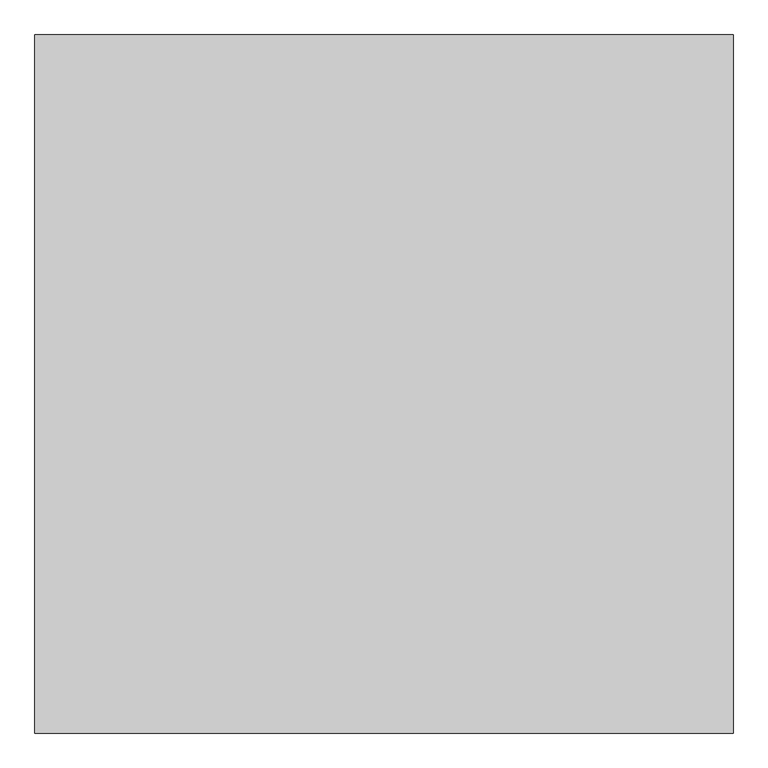
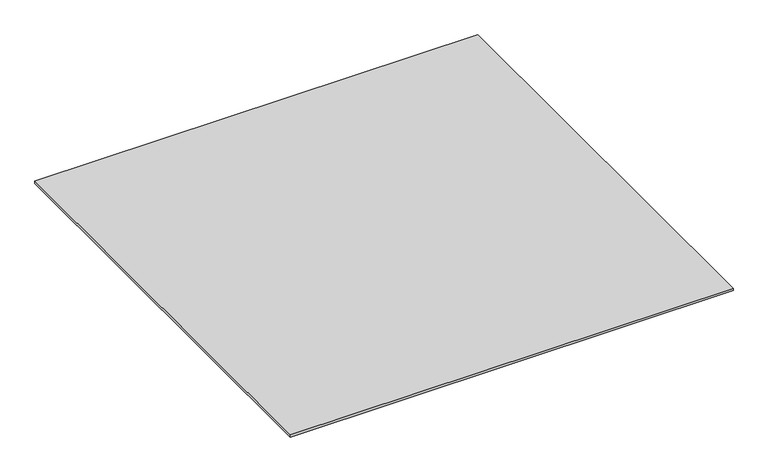
"""IFC4 building model written with IfcOpenShell, lengths in millimetres: proxy geometry."""

from ifc_helpers import new_model, si_unit, origin, origin_with_axes, place, context, project, spatial, polyline, outline, extrude, source, transform, mapped, element, save


def generic_models_e12ba832(model_context):
    return source(origin(), model_context, "Body", "SweptSolid", [
        extrude(outline(polyline([(-5796.9237868, -35187.355679), (-5796.9237868, -36187.355679), (-6796.9237868, -36187.355679), (-6796.9237868, -35187.355679), (-5796.9237868, -35187.355679)])), origin_with_axes(), (0.0, 0.0, 1.0), 5.2),
    ])


if __name__ == "__main__":
    model = new_model("IFC4")
    model_context = context("Model", 3, world=origin())
    ifc_project = project(units=[si_unit("LENGTHUNIT", "METRE", prefix="MILLI")], contexts=[model_context])
    site = spatial("IfcSite", under=ifc_project)
    building = spatial("IfcBuilding", under=site)
    placement = place(None, origin())
    generic_models_shape = generic_models_e12ba832(model_context)
    element("IfcBuildingElementProxy", 1, Name="Generic Models", at=placement, inside=building, context=model_context, shape_type="MappedRepresentation", body=[
        mapped(generic_models_shape, transform((0.0, 0.0, 0.0), x_axis=(1.0, 0.0, 0.0), y_axis=(0.0, 1.0, 0.0), z_axis=(0.0, 0.0, 1.0))),
    ])
    save(model, "model.ifc")
